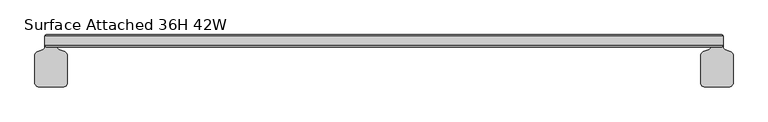
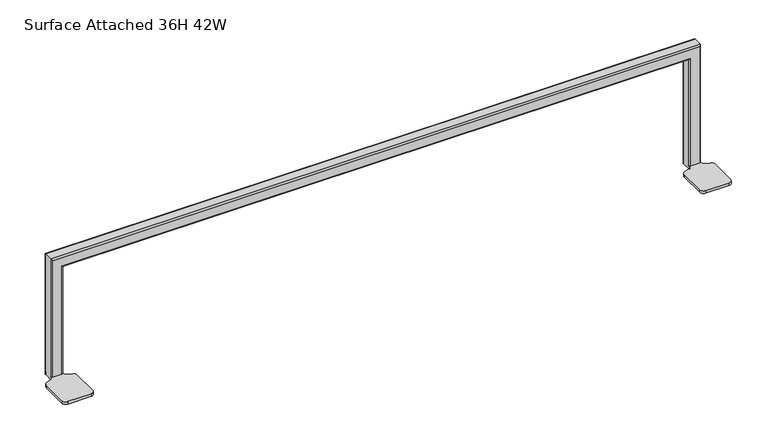
"""IFC4 building model written with IfcOpenShell, lengths in millimetres: furniture geometry, Surface Attached 36H 42W."""

from ifc_helpers import new_model, si_unit, frame, origin, place, context, project, spatial, polyline, circle_curve, ellipse_curve, source, transform, mapped, element, save
from ifc_brep_helpers import plane_surface, cylinder_surface, revolved_surface, advanced_brep


def surface_attached_36h_42w_c8599227(model_context):
    return source(origin(), model_context, "Body", "AdvancedBrep", [
        advanced_brep(
        [(60.3250015, -56.8553626, 697.2291716), (60.3250015, -13.1046799, 697.2291716), (56.1468297, -7.1376319, 697.2291716), (47.2452776, -3.8977314, 697.2291716), (44.5749999, -0.0841795, 697.2291716), (44.5749999, 2.413, 697.2291716), (42.1619999, 0.0, 697.2291716), (27.6879993, 0.0, 697.2291716), (25.2749993, 2.413, 697.2291716), (25.2749993, -0.049751, 697.2291716), (22.5723683, -3.9095079, 697.2291716), (13.7031723, -7.1376308, 697.2291716), (9.525, -13.1046791, 697.2291716), (9.525, -56.8553626, 697.2291716), (15.875, -63.2053626, 697.2291716), (53.9750015, -63.2053626, 697.2291716), (1057.2750227, -56.8553626, 697.2291716), (1063.6250227, -63.2053626, 697.2291716), (1101.7250242, -63.2053626, 697.2291716), (1108.0750242, -56.8553626, 697.2291716), (1108.0750242, -13.1046791, 697.2291716), (1103.8968519, -7.1376308, 697.2291716), (1095.0276559, -3.9095079, 697.2291716), (1092.3250249, -0.049751, 697.2291716), (1092.3249681, 2.413, 697.2291716), (1089.9119681, 0.0, 697.2291716), (1075.4379675, 0.0, 697.2291716), (1073.0250243, 2.3964475, 697.2291716), (1073.0250243, -0.0841795, 697.2291716), (1070.3547466, -3.8977314, 697.2291716), (1061.4531945, -7.1376319, 697.2291716), (1057.2750227, -13.1046799, 697.2291716), (60.3250015, -56.8553626, 692.6571396), (53.9750015, -63.2053626, 692.6571396), (15.875, -63.2053626, 692.6571396), (9.525, -56.8553626, 692.6571396), (9.525, -13.1046791, 692.6571396), (13.7031723, -7.1376308, 692.6571396), (22.5723683, -3.9095079, 692.6571396), (25.2749993, -0.049751, 692.6571396), (25.2749993, 16.759945, 692.6571396), (27.6900535, 19.1749992, 692.6571396), (42.2181984, 19.1749992, 692.6571396), (44.5749999, 16.8181976, 692.6571396), (44.5749999, -0.0841795, 692.6571396), (47.2452776, -3.8977314, 692.6571396), (56.1468297, -7.1376319, 692.6571396), (60.3250015, -13.1046799, 692.6571396), (1057.2750227, -56.8553626, 692.6571396), (1057.2750227, -13.1046799, 692.6571396), (1061.4531945, -7.1376319, 692.6571396), (1070.3547466, -3.8977314, 692.6571396), (1073.0250243, -0.0841795, 692.6571396), (1073.0250243, 16.8181976, 692.6571396), (1075.3818259, 19.1749992, 692.6571396), (1089.9099707, 19.1749992, 692.6571396), (1092.3250249, 16.759945, 692.6571396), (1092.3250249, -0.049751, 692.6571396), (1095.0276559, -3.9095079, 692.6571396), (1103.8968519, -7.1376308, 692.6571396), (1108.0750242, -13.1046791, 692.6571396), (1108.0750242, -56.8553626, 692.6571396), (1101.7250242, -63.2053626, 692.6571396), (1063.6250227, -63.2053626, 692.6571396), (44.5749999, 16.8181976, 697.2291716), (44.5749999, 16.7619992, 882.6285994), (44.5749999, 2.413, 882.6285994), (42.2181984, 19.1749992, 697.2291716), (27.6900535, 19.1749992, 697.2291716), (27.6900535, 19.1749992, 899.5135458), (1089.909914, 19.1749992, 899.5135458), (1089.909914, 19.1749992, 697.2291716), (1075.3818259, 19.1749992, 697.2291716), (1075.4379675, 19.1749992, 885.0415994), (42.1619999, 19.1749992, 885.0415994), (25.2749993, 16.759945, 697.2291716), (25.2749993, 2.413, 901.9286), (25.2749993, 16.759945, 901.9286), (1092.3250249, 16.759945, 697.2291716), (1092.3250249, 16.759945, 901.9286), (1092.3250249, 2.413, 901.9286), (1073.0250243, 16.8181976, 697.2291716), (1073.0250243, 2.413, 882.6285994), (1073.0250243, 16.7619992, 882.6285994), (42.1619999, 0.0, 885.0415994), (1075.4379675, 0.0, 885.0415994), (1089.9119681, 0.0, 899.5156), (27.6879993, 0.0, 899.5156)],
        [
            (0, 1),
            (1, 2, circle_curve(frame((53.9750015, -13.1046799, 697.2291716), z_axis=(0.0, 0.0, 1.0), x_axis=(-1.0, 0.0, 0.0)), 6.35)),
            (2, 3),
            (3, 4, circle_curve(frame((48.6332972, -0.0841795, 697.2291716), z_axis=(0.0, 0.0, -1.0), x_axis=(-1.0, 0.0, 0.0)), 4.0582972)),
            (4, 5),
            (5, 6, circle_curve(frame((42.1619999, 2.413, 697.2291716), z_axis=(0.0, 0.0, -1.0), x_axis=(-1.0, 0.0, 0.0)), 2.413)),
            (6, 7),
            (7, 8, circle_curve(frame((27.6879993, 2.413, 697.2291716), z_axis=(0.0, 0.0, -1.0), x_axis=(-1.0, 0.0, 0.0)), 2.413)),
            (8, 9),
            (9, 10, circle_curve(frame((21.1675319, -0.049751, 697.2291716), z_axis=(0.0, 0.0, -1.0), x_axis=(-1.0, 0.0, 0.0)), 4.1074674)),
            (10, 11),
            (11, 12, circle_curve(frame((15.875, -13.1046791, 697.2291716), z_axis=(0.0, 0.0, 1.0), x_axis=(-1.0, 0.0, 0.0)), 6.35)),
            (12, 13),
            (13, 14, circle_curve(frame((15.875, -56.8553626, 697.2291716), z_axis=(0.0, 0.0, 1.0), x_axis=(-1.0, 0.0, 0.0)), 6.35)),
            (14, 15),
            (15, 0, circle_curve(frame((53.9750015, -56.8553626, 697.2291716), z_axis=(0.0, 0.0, 1.0), x_axis=(-1.0, 0.0, 0.0)), 6.35)),
            (16, 17, circle_curve(frame((1063.6250227, -56.8553626, 697.2291716), z_axis=(0.0, 0.0, 1.0), x_axis=(-1.0, 0.0, 0.0)), 6.35)),
            (17, 18),
            (18, 19, circle_curve(frame((1101.7250242, -56.8553626, 697.2291716), z_axis=(0.0, 0.0, 1.0), x_axis=(-1.0, 0.0, 0.0)), 6.35)),
            (19, 20),
            (20, 21, circle_curve(frame((1101.7250242, -13.1046791, 697.2291716), z_axis=(0.0, 0.0, 1.0), x_axis=(-1.0, 0.0, 0.0)), 6.35)),
            (21, 22),
            (22, 23, circle_curve(frame((1096.4324924, -0.049751, 697.2291716), z_axis=(0.0, 0.0, -1.0), x_axis=(-1.0, 0.0, 0.0)), 4.1074674)),
            (23, 24),
            (24, 25, circle_curve(frame((1089.9119681, 2.413, 697.2291716), z_axis=(0.0, 0.0, -1.0), x_axis=(1.0, 0.0, 0.0)), 2.413)),
            (25, 26),
            (26, 27, circle_curve(frame((1075.4379675, 2.413, 697.2291716), z_axis=(0.0, 0.0, -1.0), x_axis=(1.0, 0.0, 0.0)), 2.413)),
            (27, 28),
            (28, 29, circle_curve(frame((1068.9667271, -0.0841795, 697.2291716), z_axis=(0.0, 0.0, -1.0), x_axis=(-1.0, 0.0, 0.0)), 4.0582972)),
            (29, 30),
            (30, 31, circle_curve(frame((1063.6250227, -13.1046799, 697.2291716), z_axis=(0.0, 0.0, 1.0), x_axis=(-1.0, 0.0, 0.0)), 6.35)),
            (31, 16),
            (32, 33, circle_curve(frame((53.9750015, -56.8553626, 692.6571396), z_axis=(0.0, 0.0, -1.0), x_axis=(-1.0, 0.0, 0.0)), 6.35)),
            (33, 34),
            (34, 35, circle_curve(frame((15.875, -56.8553626, 692.6571396), z_axis=(0.0, 0.0, -1.0), x_axis=(-1.0, 0.0, 0.0)), 6.35)),
            (35, 36),
            (36, 37, circle_curve(frame((15.875, -13.1046791, 692.6571396), z_axis=(0.0, 0.0, -1.0), x_axis=(-1.0, 0.0, 0.0)), 6.35)),
            (37, 38),
            (38, 39, circle_curve(frame((21.1675319, -0.049751, 692.6571396), z_axis=(0.0, 0.0, 1.0), x_axis=(-1.0, 0.0, 0.0)), 4.1074674)),
            (39, 40),
            (40, 41, circle_curve(frame((27.6900535, 16.759945, 692.6571396), z_axis=(0.0, 0.0, -1.0), x_axis=(-1.0, 0.0, 0.0)), 2.4150542)),
            (41, 42),
            (42, 43, circle_curve(frame((42.2181984, 16.8181976, 692.6571396), z_axis=(0.0, 0.0, -1.0), x_axis=(-1.0, 0.0, 0.0)), 2.3568016)),
            (43, 44),
            (44, 45, circle_curve(frame((48.6332972, -0.0841795, 692.6571396), z_axis=(0.0, 0.0, 1.0), x_axis=(-1.0, 0.0, 0.0)), 4.0582972)),
            (45, 46),
            (46, 47, circle_curve(frame((53.9750015, -13.1046799, 692.6571396), z_axis=(0.0, 0.0, -1.0), x_axis=(-1.0, 0.0, 0.0)), 6.35)),
            (47, 32),
            (48, 49),
            (49, 50, circle_curve(frame((1063.6250227, -13.1046799, 692.6571396), z_axis=(0.0, 0.0, -1.0), x_axis=(-1.0, 0.0, 0.0)), 6.35)),
            (50, 51),
            (51, 52, circle_curve(frame((1068.9667271, -0.0841795, 692.6571396), z_axis=(0.0, 0.0, 1.0), x_axis=(-1.0, 0.0, 0.0)), 4.0582972)),
            (52, 53),
            (53, 54, circle_curve(frame((1075.3818259, 16.8181976, 692.6571396), z_axis=(0.0, 0.0, -1.0), x_axis=(-1.0, 0.0, 0.0)), 2.3568016)),
            (54, 55),
            (55, 56, circle_curve(frame((1089.9099707, 16.759945, 692.6571396), z_axis=(0.0, 0.0, -1.0), x_axis=(-1.0, 0.0, 0.0)), 2.4150542)),
            (56, 57),
            (57, 58, circle_curve(frame((1096.4324924, -0.049751, 692.6571396), z_axis=(0.0, 0.0, 1.0), x_axis=(-1.0, 0.0, 0.0)), 4.1074674)),
            (58, 59),
            (59, 60, circle_curve(frame((1101.7250242, -13.1046791, 692.6571396), z_axis=(0.0, 0.0, -1.0), x_axis=(-1.0, 0.0, 0.0)), 6.35)),
            (60, 61),
            (61, 62, circle_curve(frame((1101.7250242, -56.8553626, 692.6571396), z_axis=(0.0, 0.0, -1.0), x_axis=(-1.0, 0.0, 0.0)), 6.35)),
            (62, 63),
            (63, 48, circle_curve(frame((1063.6250227, -56.8553626, 692.6571396), z_axis=(0.0, 0.0, -1.0), x_axis=(-1.0, 0.0, 0.0)), 6.35)),
            (0, 32),
            (47, 1),
            (46, 2),
            (45, 3),
            (44, 4),
            (43, 64),
            (64, 65),
            (65, 66),
            (66, 5),
            (42, 67),
            (67, 64, circle_curve(frame((42.2181984, 16.8181976, 697.2291716), z_axis=(0.0, 0.0, -1.0), x_axis=(-1.0, 0.0, 0.0)), 2.3568016)),
            (41, 68),
            (68, 69),
            (69, 70),
            (70, 71),
            (71, 55),
            (54, 72),
            (72, 73),
            (73, 74),
            (74, 67),
            (40, 75),
            (75, 68, circle_curve(frame((27.6900535, 16.759945, 697.2291716), z_axis=(0.0, 0.0, -1.0), x_axis=(-1.0, 0.0, 0.0)), 2.4150542)),
            (39, 9),
            (8, 76),
            (76, 77),
            (77, 75),
            (38, 10),
            (37, 11),
            (36, 12),
            (35, 13),
            (34, 14),
            (33, 15),
            (16, 48),
            (63, 17),
            (62, 18),
            (61, 19),
            (60, 20),
            (59, 21),
            (58, 22),
            (57, 23),
            (56, 78),
            (78, 79),
            (79, 80),
            (80, 24),
            (71, 78, circle_curve(frame((1089.9099707, 16.759945, 697.2291716), z_axis=(0.0, 0.0, -1.0), x_axis=(-1.0, 0.0, 0.0)), 2.4150542)),
            (53, 81),
            (81, 72, circle_curve(frame((1075.3818259, 16.8181976, 697.2291716), z_axis=(0.0, 0.0, -1.0), x_axis=(-1.0, 0.0, 0.0)), 2.3568016)),
            (52, 28),
            (27, 82),
            (82, 83),
            (83, 81),
            (51, 29),
            (50, 30),
            (49, 31),
            (74, 65, ellipse_curve(frame((42.1619999, 16.7619992, 885.0415994), z_axis=(-0.7071067811865475, 0.0, -0.7071067811865475), x_axis=(0.7071067811865474, 0.0, -0.7071067811865476)), 3.4124973, 2.413)),
            (66, 84, ellipse_curve(frame((42.1619999, 2.413, 885.0415994), z_axis=(-0.7071067811865475, 0.0, -0.7071067811865475), x_axis=(0.7071067811865474, 0.0, -0.7071067811865476)), 3.4124973, 2.413)),
            (84, 6),
            (84, 85),
            (85, 26),
            (25, 86),
            (86, 87),
            (87, 7),
            (87, 76, ellipse_curve(frame((27.6879993, 2.413, 899.5156), z_axis=(-0.7071067811865475, 0.0, -0.7071067811865475), x_axis=(0.7071067811865474, 0.0, -0.7071067811865476)), 3.4124973, 2.413)),
            (77, 69, ellipse_curve(frame((27.6900535, 16.759945, 899.5135458), z_axis=(-0.7071067811865475, 0.0, -0.7071067811865475), x_axis=(0.7071067811865474, 0.0, -0.7071067811865476)), 3.4154024, 2.4150542)),
            (73, 83, ellipse_curve(frame((1075.4379675, 16.7619992, 885.0415994), z_axis=(-0.7071067811865475, 0.0, 0.7071067811865475), x_axis=(-0.7071067811865476, 0.0, -0.7071067811865474)), 3.4124973, 2.413)),
            (83, 65),
            (82, 66),
            (82, 85, ellipse_curve(frame((1075.4379675, 2.413, 885.0415994), z_axis=(-0.7071067811865475, 0.0, 0.7071067811865475), x_axis=(-0.7071067811865476, 0.0, -0.7071067811865474)), 3.4124973, 2.413)),
            (86, 80, ellipse_curve(frame((1089.9119681, 2.413, 899.5156), z_axis=(-0.7071067811865475, 0.0, 0.7071067811865475), x_axis=(-0.7071067811865476, 0.0, -0.7071067811865474)), 3.4124973, 2.413)),
            (80, 76),
            (79, 77),
            (79, 70, ellipse_curve(frame((1089.909914, 16.759945, 899.5135458), z_axis=(-0.7071067811865475, 0.0, 0.7071067811865475), x_axis=(-0.7071067811865476, 0.0, -0.7071067811865474)), 3.4154024, 2.4150542)),
        ],
        [
            plane_surface(frame((60.3250015, -13.1046791, 697.2291716), z_axis=(0.0, 0.0, 1.0), x_axis=(0.0, 1.0, 0.0))),
            plane_surface(frame((60.3250015, -13.1046791, 692.6571396), z_axis=(0.0, 0.0, -1.0), x_axis=(0.0, -1.0, 0.0))),
            plane_surface(frame((60.3250015, -56.8553626, 697.2291716), z_axis=(1.0, 0.0, 0.0), x_axis=(0.0, 0.0, -1.0))),
            cylinder_surface(frame((53.9750015, -13.1046799, 692.6571396), z_axis=(0.0, 0.0, 1.0), x_axis=(-1.0, 0.0, 0.0)), 6.35),
            plane_surface(frame((56.1468297, -7.1376319, 697.2291716), z_axis=(0.34202018286244396, 0.9396926063956982, 0.0), x_axis=(0.0, 0.0, -1.0))),
            revolved_surface(polyline([(44.575, -0.0841795, 692.6571396), (44.575, -0.0841795, 697.2291716)]), (48.6332972, -0.0841795, 692.6571396), (0.0, 0.0, -1.0)),
            plane_surface(frame((44.5749999, -0.0841795, 697.2291716), z_axis=(1.0, 0.0, 0.0), x_axis=(0.0, 0.0, -1.0))),
            cylinder_surface(frame((42.2181984, 16.8181976, 692.6571396), z_axis=(0.0, 0.0, 1.0), x_axis=(-1.0, 0.0, 0.0)), 2.3568016),
            plane_surface(frame((42.2181984, 19.1749992, 697.2291716), z_axis=(0.0, 1.0, 0.0), x_axis=(0.0, 0.0, -1.0))),
            cylinder_surface(frame((27.6900535, 16.759945, 692.6571396), z_axis=(0.0, 0.0, 1.0), x_axis=(-1.0, 0.0, 0.0)), 2.4150542),
            plane_surface(frame((25.2749993, 16.759945, 697.2291716), z_axis=(-1.0, 0.0, 0.0), x_axis=(0.0, 0.0, -1.0))),
            revolved_surface(polyline([(17.0600645, -0.049751, 692.6571396), (17.0600645, -0.049751, 697.2291716)]), (21.1675319, -0.049751, 692.6571396), (0.0, 0.0, -1.0)),
            plane_surface(frame((22.5723683, -3.9095079, 697.2291716), z_axis=(-0.3420201061447841, 0.9396926343186428, 0.0), x_axis=(0.0, 0.0, -1.0))),
            cylinder_surface(frame((15.875, -13.1046791, 692.6571396), z_axis=(0.0, 0.0, 1.0), x_axis=(-1.0, 0.0, 0.0)), 6.35),
            plane_surface(frame((9.525, -13.1046791, 697.2291716), z_axis=(-1.0, 0.0, 0.0), x_axis=(0.0, 0.0, -1.0))),
            cylinder_surface(frame((15.875, -56.8553626, 692.6571396), z_axis=(0.0, 0.0, 1.0), x_axis=(-1.0, 0.0, 0.0)), 6.35),
            plane_surface(frame((15.875, -63.2053626, 697.2291716), z_axis=(0.0, -1.0, 0.0), x_axis=(0.0, 0.0, -1.0))),
            cylinder_surface(frame((53.9750015, -56.8553626, 692.6571396), z_axis=(0.0, 0.0, 1.0), x_axis=(-1.0, 0.0, 0.0)), 6.35),
            cylinder_surface(frame((1063.6250227, -56.8553626, 692.6571396), z_axis=(0.0, 0.0, 1.0), x_axis=(-1.0, 0.0, 0.0)), 6.35),
            plane_surface(frame((1063.6250227, -63.2053626, 697.2291716), z_axis=(0.0, -1.0, 0.0), x_axis=(0.0, 0.0, -1.0))),
            cylinder_surface(frame((1101.7250242, -56.8553626, 692.6571396), z_axis=(0.0, 0.0, 1.0), x_axis=(-1.0, 0.0, 0.0)), 6.35),
            plane_surface(frame((1108.0750242, -56.8553626, 697.2291716), z_axis=(1.0, 0.0, 0.0), x_axis=(0.0, 0.0, -1.0))),
            cylinder_surface(frame((1101.7250242, -13.1046791, 692.6571396), z_axis=(0.0, 0.0, 1.0), x_axis=(-1.0, 0.0, 0.0)), 6.35),
            plane_surface(frame((1103.8968519, -7.1376308, 697.2291716), z_axis=(0.34202010614478295, 0.9396926343186434, 0.0), x_axis=(0.0, 0.0, -1.0))),
            revolved_surface(polyline([(1092.325025, -0.049751, 692.6571396), (1092.325025, -0.049751, 697.2291716)]), (1096.4324924, -0.049751, 692.6571396), (0.0, 0.0, -1.0)),
            plane_surface(frame((1092.3250249, -0.049751, 697.2291716), z_axis=(1.0, 0.0, 0.0), x_axis=(0.0, 0.0, -1.0))),
            cylinder_surface(frame((1089.9099707, 16.759945, 692.6571396), z_axis=(0.0, 0.0, 1.0), x_axis=(-1.0, 0.0, 0.0)), 2.4150542),
            cylinder_surface(frame((1075.3818259, 16.8181976, 692.6571396), z_axis=(0.0, 0.0, 1.0), x_axis=(-1.0, 0.0, 0.0)), 2.3568016),
            plane_surface(frame((1073.0250243, 16.8181976, 697.2291716), z_axis=(-1.0, 0.0, 0.0), x_axis=(0.0, 0.0, -1.0))),
            revolved_surface(polyline([(1064.9084299, -0.0841795, 692.6571396), (1064.9084299, -0.0841795, 697.2291716)]), (1068.9667271, -0.0841795, 692.6571396), (0.0, 0.0, -1.0)),
            plane_surface(frame((1070.3547466, -3.8977314, 697.2291716), z_axis=(-0.3420201828624468, 0.9396926063956971, 0.0), x_axis=(0.0, 0.0, -1.0))),
            cylinder_surface(frame((1063.6250227, -13.1046799, 692.6571396), z_axis=(0.0, 0.0, 1.0), x_axis=(-1.0, 0.0, 0.0)), 6.35),
            plane_surface(frame((1057.2750227, -13.1046799, 697.2291716), z_axis=(-1.0, 0.0, 0.0), x_axis=(0.0, 0.0, -1.0))),
            cylinder_surface(frame((42.1619999, 16.7619992, 697.2291716), z_axis=(0.0, 0.0, -1.0), x_axis=(-1.0, 0.0, 0.0)), 2.413),
            cylinder_surface(frame((42.1619999, 2.413, 697.2291716), z_axis=(0.0, 0.0, -1.0), x_axis=(-1.0, 0.0, 0.0)), 2.413),
            plane_surface(frame((42.1619999, 0.0, 697.2291716), z_axis=(0.0, -1.0, 0.0), x_axis=(0.0, 0.0, 1.0))),
            cylinder_surface(frame((27.6879993, 2.413, 697.2291716), z_axis=(0.0, 0.0, -1.0), x_axis=(-1.0, 0.0, 0.0)), 2.413),
            cylinder_surface(frame((27.6900535, 16.759945, 697.2291716), z_axis=(0.0, 0.0, -1.0), x_axis=(-1.0, 0.0, 0.0)), 2.4150542),
            cylinder_surface(frame((25.2749993, 16.7619992, 885.0415994), z_axis=(-1.0, 0.0, 0.0), x_axis=(0.0, 0.0, 1.0)), 2.413),
            plane_surface(frame((44.5749999, 16.7619992, 882.6285994), z_axis=(0.0, 0.0, -1.0), x_axis=(1.0, 0.0, 0.0))),
            cylinder_surface(frame((25.2749993, 2.413, 885.0415994), z_axis=(-1.0, 0.0, 0.0), x_axis=(0.0, 0.0, 1.0)), 2.413),
            cylinder_surface(frame((25.2749993, 2.413, 899.5156), z_axis=(-1.0, 0.0, 0.0), x_axis=(0.0, 0.0, 1.0)), 2.413),
            plane_surface(frame((25.2749993, 2.413, 901.9286), z_axis=(0.0, 0.0, 1.0), x_axis=(1.0, 0.0, 0.0))),
            cylinder_surface(frame((25.2749993, 16.759945, 899.5135458), z_axis=(-1.0, 0.0, 0.0), x_axis=(0.0, 0.0, 1.0)), 2.4150542),
            cylinder_surface(frame((1075.4379675, 16.7619992, 901.9286), z_axis=(0.0, 0.0, 1.0), x_axis=(1.0, 0.0, 0.0)), 2.413),
            cylinder_surface(frame((1075.4379675, 2.413, 901.9286), z_axis=(0.0, 0.0, 1.0), x_axis=(1.0, 0.0, 0.0)), 2.413),
            cylinder_surface(frame((1089.9119681, 2.413, 901.9286), z_axis=(0.0, 0.0, 1.0), x_axis=(1.0, 0.0, 0.0)), 2.413),
            cylinder_surface(frame((1089.909914, 16.759945, 901.9286), z_axis=(0.0, 0.0, 1.0), x_axis=(1.0, 0.0, 0.0)), 2.4150542),
        ],
        [
            (0, [[1, 2, 3, 4, 5, 6, 7, 8, 9, 10, 11, 12, 13, 14, 15, 16]]),
            (0, [[17, 18, 19, 20, 21, 22, 23, 24, 25, 26, 27, 28, 29, 30, 31, 32]]),
            (1, [[33, 34, 35, 36, 37, 38, 39, 40, 41, 42, 43, 44, 45, 46, 47, 48]]),
            (1, [[49, 50, 51, 52, 53, 54, 55, 56, 57, 58, 59, 60, 61, 62, 63, 64]]),
            (2, [[-1, 65, -48, 66]]),
            (3, [[-2, -66, -47, 67]]),
            (4, [[-3, -67, -46, 68]]),
            (5, [[-4, -68, -45, 69]]),
            (6, [[-44, 70, 71, 72, 73, -5, -69]]),
            (7, [[-43, 74, 75, -70]]),
            (8, [[-42, 76, 77, 78, 79, 80, -55, 81, 82, 83, 84, -74]]),
            (9, [[-41, 85, 86, -76]]),
            (10, [[-40, 87, -9, 88, 89, 90, -85]]),
            (11, [[-10, -87, -39, 91]]),
            (12, [[-11, -91, -38, 92]]),
            (13, [[-12, -92, -37, 93]]),
            (14, [[-13, -93, -36, 94]]),
            (15, [[-14, -94, -35, 95]]),
            (16, [[-15, -95, -34, 96]]),
            (17, [[-16, -96, -33, -65]]),
            (18, [[-17, 97, -64, 98]]),
            (19, [[-18, -98, -63, 99]]),
            (20, [[-19, -99, -62, 100]]),
            (21, [[-20, -100, -61, 101]]),
            (22, [[-21, -101, -60, 102]]),
            (23, [[-22, -102, -59, 103]]),
            (24, [[-23, -103, -58, 104]]),
            (25, [[-57, 105, 106, 107, 108, -24, -104]]),
            (26, [[-56, -80, 109, -105]]),
            (27, [[-54, 110, 111, -81]]),
            (28, [[-53, 112, -28, 113, 114, 115, -110]]),
            (29, [[-29, -112, -52, 116]]),
            (30, [[-30, -116, -51, 117]]),
            (31, [[-31, -117, -50, 118]]),
            (32, [[-32, -118, -49, -97]]),
            (33, [[-84, 119, -71, -75]]),
            (34, [[-73, 120, 121, -6]]),
            (35, [[-121, 122, 123, -26, 124, 125, 126, -7]]),
            (36, [[-126, 127, -88, -8]]),
            (37, [[-90, 128, -77, -86]]),
            (38, [[-119, -83, 129, 130]]),
            (39, [[-72, -130, -114, 131]]),
            (40, [[-120, -131, 132, -122]]),
            (41, [[-125, 133, 134, -127]]),
            (42, [[-89, -134, -107, 135]]),
            (43, [[-128, -135, 136, -78]]),
            (44, [[-82, -111, -115, -129]]),
            (45, [[-123, -132, -113, -27]]),
            (46, [[-124, -25, -108, -133]]),
            (47, [[-79, -136, -106, -109]]),
        ],
    ),
    ])


if __name__ == "__main__":
    model = new_model("IFC4")
    model_context = context("Model", 3, world=origin())
    ifc_project = project(units=[si_unit("LENGTHUNIT", "METRE", prefix="MILLI")], contexts=[model_context])
    site = spatial("IfcSite", under=ifc_project)
    building = spatial("IfcBuilding", under=site)
    placement = place(None, origin())
    surface_attached_36h_42w_shape = surface_attached_36h_42w_c8599227(model_context)
    element("IfcFurniture", 1, ObjectType="Surface Attached 36H 42W", at=placement, inside=building, context=model_context, shape_type="MappedRepresentation", body=[
        mapped(surface_attached_36h_42w_shape, transform((0.0, 0.0, 0.0), x_axis=(1.0, 0.0, 0.0), y_axis=(0.0, 1.0, 0.0), z_axis=(0.0, 0.0, 1.0))),
    ])
    save(model, "model.ifc")
